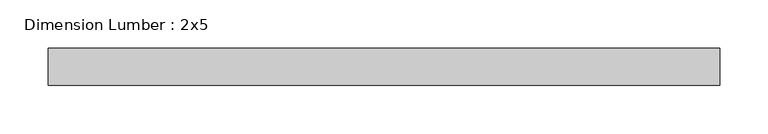
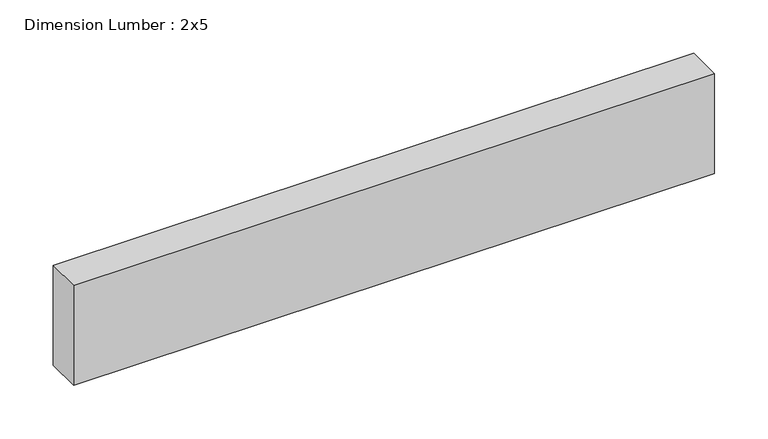
"""IFC4 building model written with IfcOpenShell, lengths in millimetres: beam geometry, Dimension Lumber : 2x5."""

from ifc_helpers import new_model, si_unit, frame, origin, place, context, project, spatial, polyline, outline, extrude, source, transform, mapped, element, save


def dimension_lumber_2x5_ca0b4bc3(model_context):
    return source(origin(), model_context, "Body", "SweptSolid", [
        extrude(outline(polyline([(346.3256739, 19.05), (346.3256739, -19.05), (-346.3256739, -19.05), (-346.3256739, 19.05), (346.3256739, 19.05)])), frame((0.0, 0.0, -57.15), z_axis=(0.0, 0.0, 1.0), x_axis=(1.0, 0.0, 0.0)), (0.0, 0.0, 1.0), 114.3),
    ])


if __name__ == "__main__":
    model = new_model("IFC4")
    model_context = context("Model", 3, world=origin())
    ifc_project = project(units=[si_unit("LENGTHUNIT", "METRE", prefix="MILLI")], contexts=[model_context])
    site = spatial("IfcSite", under=ifc_project)
    building = spatial("IfcBuilding", under=site)
    placement = place(None, origin())
    dimension_lumber_2x5_shape = dimension_lumber_2x5_ca0b4bc3(model_context)
    element("IfcBeam", 1, ObjectType="Dimension Lumber : 2x5", at=placement, inside=building, context=model_context, shape_type="MappedRepresentation", body=[
        mapped(dimension_lumber_2x5_shape, transform((0.0, 0.0, 0.0), x_axis=(1.0, 0.0, 0.0), y_axis=(0.0, 1.0, 0.0), z_axis=(0.0, 0.0, 1.0))),
    ])
    save(model, "model.ifc")
